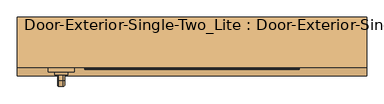
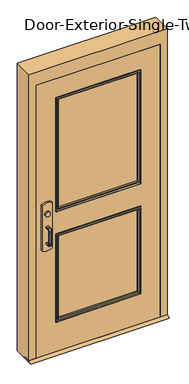
"""IFC4 building model written with IfcOpenShell, lengths in millimetres: door geometry, Door-Exterior-Single-Two_Lite : Door-Exterior-Single-Two_Lite."""

from ifc_helpers import new_model, si_unit, point, frame, frame_2d, origin, place, context, project, spatial, polyline, circle_curve, ellipse_curve, trimmed, segment, composite_curve, outline, extrude, faceted_brep, source, transform, mapped, element, save
from ifc_brep_helpers import plane_surface, cylinder_surface, revolved_surface, advanced_brep


def door_exterior_single_two_lite_door_exterior_single_two_lite_36b0e7e4(model_context):
    return source(origin(), model_context, "Body", "SolidModel", [
        extrude(outline(polyline([(-19.05, 12.7), (6.35, 0.0), (-88.9, 0.0), (-63.5, 12.7), (-19.05, 12.7)])), frame((-508.0, 0.0, 0.0), z_axis=(1.0, 0.0, 0.0), x_axis=(0.0, 1.0, 0.0)), (0.0, 0.0, 1.0), 1016.0),
        extrude(outline(polyline([(150.2833333, 19.05), (150.2833333, 12.7), (-349.25, 12.7), (-349.25, 19.05), (150.2833333, 19.05)])), frame((0.0, 0.0, 990.6), z_axis=(0.0, 0.0, 1.0), x_axis=(1.0, 0.0, 0.0)), (0.0, 0.0, 1.0), 50.8),
        advanced_brep(
        [(-412.75, 12.7, 1041.4), (-349.25, 12.7, 1041.4), (400.05, 12.7, 1041.4), (400.05, 12.7, 990.6), (-349.25, 12.7, 990.6), (-412.75, 12.7, 990.6), (400.05, -19.05, 1041.4), (-349.25, -19.05, 1041.4), (-349.25, -19.05, 1104.9), (-368.3, -19.05, 1123.95), (-393.7, -19.05, 1123.95), (-412.75, -19.05, 1104.9), (-412.75, -19.05, 927.1), (-393.7, -19.05, 908.05), (-368.3, -19.05, 908.05), (-349.25, -19.05, 927.1), (-349.25, -19.05, 990.6), (400.05, -19.05, 990.6), (-412.75, 9.5247533, 1041.4), (-349.25, 9.5247533, 1041.4), (-412.75, 9.5247533, 990.6), (-412.75, 4.5145731, 927.1), (-412.75, 4.5145731, 1104.9), (-349.25, 9.5247533, 990.6), (-349.25, 4.5145731, 1104.9), (-349.25, 4.5145731, 927.1), (-368.3, 3.011519, 1123.95), (-393.7, 3.011519, 1123.95), (-393.7, 3.011519, 908.05), (-368.3, 3.011519, 908.05)],
        [
            (0, 1),
            (1, 2),
            (2, 3),
            (3, 4),
            (4, 5),
            (5, 0),
            (6, 7),
            (7, 8),
            (8, 9, circle_curve(frame((-368.3, -19.05, 1104.9), z_axis=(0.0, -1.0, 0.0), x_axis=(1.0, 0.0, 0.0)), 19.05)),
            (9, 10),
            (10, 11, circle_curve(frame((-393.7, -19.05, 1104.9), z_axis=(0.0, -1.0, 0.0), x_axis=(1.0, 0.0, 0.0)), 19.05)),
            (11, 12),
            (12, 13, circle_curve(frame((-393.7, -19.05, 927.1), z_axis=(0.0, -1.0, 0.0), x_axis=(1.0, 0.0, 0.0)), 19.05)),
            (13, 14),
            (14, 15, circle_curve(frame((-368.3, -19.05, 927.1), z_axis=(0.0, -1.0, 0.0), x_axis=(1.0, 0.0, 0.0)), 19.05)),
            (15, 16),
            (16, 17),
            (17, 6),
            (0, 18),
            (18, 19),
            (19, 7),
            (6, 2),
            (5, 20),
            (20, 21),
            (21, 12),
            (11, 22),
            (22, 18),
            (16, 23),
            (23, 20),
            (3, 17),
            (19, 24),
            (24, 8),
            (15, 25),
            (25, 23),
            (9, 26),
            (26, 27),
            (27, 10),
            (13, 28),
            (28, 29),
            (29, 14),
            (29, 25, ellipse_curve(frame((-368.3, 4.5145731, 927.1), z_axis=(0.0, -0.9969018152893365, 0.07865602756830282), x_axis=(0.0, 0.07865602756830208, 0.9969018152893365)), 19.1092038, 19.05)),
            (24, 26, ellipse_curve(frame((-368.3, 4.5145731, 1104.9), z_axis=(0.0, -0.9969018152893376, -0.07865602756828934), x_axis=(0.0, 0.078656027568288, -0.9969018152893377)), 19.1092038, 19.05)),
            (27, 22, ellipse_curve(frame((-393.7, 4.5145731, 1104.9), z_axis=(0.0, -0.9969018152893376, -0.07865602756828934), x_axis=(0.0, 0.078656027568288, -0.9969018152893377)), 19.1092038, 19.05)),
            (21, 28, ellipse_curve(frame((-393.7, 4.5145731, 927.1), z_axis=(0.0, -0.9969018152893365, 0.07865602756830282), x_axis=(0.0, 0.07865602756830208, 0.9969018152893365)), 19.1092038, 19.05)),
        ],
        [
            plane_surface(frame((-412.75, 12.7, 1041.4), z_axis=(0.0, 1.0, 0.0), x_axis=(-1.0, 0.0, 0.0))),
            plane_surface(frame((-412.75, -19.05, 1041.4), z_axis=(0.0, -1.0, 0.0), x_axis=(1.0, 0.0, 0.0))),
            plane_surface(frame((400.05, 12.7, 1041.4), z_axis=(0.0, 0.0, 1.0), x_axis=(0.0, -1.0, 0.0))),
            plane_surface(frame((-412.75, 12.7, 1041.4), z_axis=(-1.0, 0.0, 0.0), x_axis=(0.0, -1.0, 0.0))),
            plane_surface(frame((-412.75, 12.7, 990.6), z_axis=(0.0, 0.0, -1.0), x_axis=(0.0, -1.0, 0.0))),
            plane_surface(frame((400.05, 12.7, 990.6), z_axis=(1.0, 0.0, 0.0), x_axis=(0.0, -1.0, 0.0))),
            plane_surface(frame((-349.25, 9.5247533, 927.1), z_axis=(1.0, 0.0, 0.0), x_axis=(0.0, -1.0, 0.0))),
            plane_surface(frame((-368.3, 9.5247533, 1123.95), z_axis=(0.0, 0.0, 1.0), x_axis=(0.0, -1.0, 0.0))),
            plane_surface(frame((-393.7, 9.5247533, 908.05), z_axis=(0.0, 0.0, -1.0), x_axis=(0.0, -1.0, 0.0))),
            cylinder_surface(frame((-368.3, -19.05, 927.1), z_axis=(0.0, 1.0, 0.0), x_axis=(1.0, 0.0, 0.0)), 19.05),
            cylinder_surface(frame((-368.3, -19.05, 1104.9), z_axis=(0.0, 1.0, 0.0), x_axis=(1.0, 0.0, 0.0)), 19.05),
            cylinder_surface(frame((-393.7, -19.05, 1104.9), z_axis=(0.0, 1.0, 0.0), x_axis=(1.0, 0.0, 0.0)), 19.05),
            cylinder_surface(frame((-393.7, -19.05, 927.1), z_axis=(0.0, 1.0, 0.0), x_axis=(1.0, 0.0, 0.0)), 19.05),
            plane_surface(frame((-349.25, 9.5247533, 1041.4), z_axis=(0.0, 0.9969018152893376, 0.07865602756828934), x_axis=(-1.0, 0.0, 0.0))),
            plane_surface(frame((-349.25, 3.011519, 908.05), z_axis=(0.0, 0.9969018152893365, -0.07865602756830282), x_axis=(-1.0, 0.0, 0.0))),
        ],
        [
            (0, [[1, 2, 3, 4, 5, 6]]),
            (1, [[7, 8, 9, 10, 11, 12, 13, 14, 15, 16, 17, 18]]),
            (2, [[-2, -1, 19, 20, 21, -7, 22]]),
            (3, [[23, 24, 25, -12, 26, 27, -19, -6]]),
            (4, [[-17, 28, 29, -23, -5, -4, 30]]),
            (5, [[-22, -18, -30, -3]]),
            (6, [[-21, 31, 32, -8]]),
            (6, [[33, 34, -28, -16]]),
            (7, [[35, 36, 37, -10]]),
            (8, [[38, 39, 40, -14]]),
            (9, [[-40, 41, -33, -15]]),
            (10, [[-32, 42, -35, -9]]),
            (11, [[-37, 43, -26, -11]]),
            (12, [[-25, 44, -38, -13]]),
            (13, [[-27, -43, -36, -42, -31, -20]]),
            (14, [[-29, -34, -41, -39, -44, -24]]),
        ],
    ),
        advanced_brep(
        [(-391.0, -76.2, 1017.190625), (-387.428125, -76.2, 1020.7625), (-374.571875, -76.2, 1020.7625), (-371.0, -76.2, 1017.190625), (-371.0, -76.2, 1014.8090406), (-374.5715406, -76.2, 1011.2375), (-387.428125, -76.2, 1011.2375), (-391.0, -76.2, 1014.809375), (-391.0, -76.2, 887.809375), (-391.0, -76.2, 890.190625), (-387.428125, -76.2, 893.7625), (-374.5715406, -76.2, 893.7625), (-371.0, -76.2, 890.1909594), (-371.0, -76.2, 887.809375), (-374.571875, -76.2, 884.2375), (-387.428125, -76.2, 884.2375), (-391.0, -101.6, 1014.809375), (-391.0, -113.109375, 1003.3), (-391.0, -113.109375, 901.7), (-391.0, -101.6, 890.190625), (-391.0, -101.6, 887.809375), (-391.0, -115.490625, 901.7), (-391.0, -115.490625, 1003.3), (-391.0, -101.6, 1017.190625), (-387.428125, -101.6, 1011.2375), (-374.5715406, -101.6, 1011.2375), (-371.0, -101.6, 1014.8090406), (-371.0, -101.6, 1017.190625), (-371.0, -115.490625, 1003.3), (-371.0, -115.490625, 901.7), (-371.0, -101.6, 887.809375), (-371.0, -101.6, 890.1909594), (-371.0, -113.1090406, 901.7), (-371.0, -113.1090406, 1003.3), (-374.571875, -101.6, 1020.7625), (-387.428125, -101.6, 1020.7625), (-387.428125, -109.5375, 1003.3), (-374.5715406, -109.5375, 1003.3), (-374.571875, -119.0625, 1003.3), (-387.428125, -119.0625, 1003.3), (-387.428125, -109.5375, 901.7), (-374.5715406, -109.5375, 901.7), (-374.571875, -119.0625, 901.7), (-387.428125, -119.0625, 901.7), (-387.428125, -101.6, 893.7625), (-374.5715406, -101.6, 893.7625), (-374.571875, -101.6, 884.2375), (-387.428125, -101.6, 884.2375)],
        [
            (0, 1, circle_curve(frame((-387.428125, -76.2, 1017.190625), z_axis=(0.0, 1.0, 0.0), x_axis=(0.0, 0.0, 1.0)), 3.571875)),
            (1, 2),
            (2, 3, circle_curve(frame((-374.571875, -76.2, 1017.190625), z_axis=(0.0, 1.0, 0.0), x_axis=(0.0, 0.0, 1.0)), 3.571875)),
            (3, 4),
            (4, 5, circle_curve(frame((-374.5715406, -76.2, 1014.8090406), z_axis=(0.0, 1.0, 0.0), x_axis=(0.0, 0.0, 1.0)), 3.5715406)),
            (5, 6),
            (6, 7, circle_curve(frame((-387.428125, -76.2, 1014.809375), z_axis=(0.0, 1.0, 0.0), x_axis=(0.0, 0.0, 1.0)), 3.571875)),
            (7, 0),
            (8, 9),
            (9, 10, circle_curve(frame((-387.428125, -76.2, 890.190625), z_axis=(0.0, 1.0, 0.0), x_axis=(0.0, 0.0, -1.0)), 3.571875)),
            (10, 11),
            (11, 12, circle_curve(frame((-374.5715406, -76.2, 890.1909594), z_axis=(0.0, 1.0, 0.0), x_axis=(0.0, 0.0, -1.0)), 3.5715406)),
            (12, 13),
            (13, 14, circle_curve(frame((-374.571875, -76.2, 887.809375), z_axis=(0.0, 1.0, 0.0), x_axis=(0.0, 0.0, -1.0)), 3.571875)),
            (14, 15),
            (15, 8, circle_curve(frame((-387.428125, -76.2, 887.809375), z_axis=(0.0, 1.0, 0.0), x_axis=(0.0, 0.0, -1.0)), 3.571875)),
            (7, 16),
            (16, 17, circle_curve(frame((-391.0, -101.6, 1003.3), z_axis=(1.0, 0.0, 0.0), x_axis=(0.0, 0.0, 1.0)), 11.509375)),
            (17, 18),
            (18, 19, circle_curve(frame((-391.0, -101.6, 901.7), z_axis=(1.0, 0.0, 0.0), x_axis=(0.0, -1.0, 0.0)), 11.509375)),
            (19, 9),
            (8, 20),
            (20, 21, circle_curve(frame((-391.0, -101.6, 901.7), z_axis=(-1.0, 0.0, 0.0), x_axis=(0.0, -1.0, 0.0)), 13.890625)),
            (21, 22),
            (22, 23, circle_curve(frame((-391.0, -101.6, 1003.3), z_axis=(-1.0, 0.0, 0.0), x_axis=(0.0, 0.0, 1.0)), 13.890625)),
            (23, 0),
            (6, 24),
            (24, 16, circle_curve(frame((-387.428125, -101.6, 1014.809375), z_axis=(0.0, 1.0, 0.0), x_axis=(0.0, 0.0, 1.0)), 3.571875)),
            (5, 25),
            (25, 24),
            (4, 26),
            (26, 25, circle_curve(frame((-374.5715406, -101.6, 1014.8090406), z_axis=(0.0, 1.0, 0.0), x_axis=(0.0, 0.0, 1.0)), 3.5715406)),
            (3, 27),
            (27, 28, circle_curve(frame((-371.0, -101.6, 1003.3), z_axis=(1.0, 0.0, 0.0), x_axis=(0.0, 0.0, 1.0)), 13.890625)),
            (28, 29),
            (29, 30, circle_curve(frame((-371.0, -101.6, 901.7), z_axis=(1.0, 0.0, 0.0), x_axis=(0.0, -1.0, 0.0)), 13.890625)),
            (30, 13),
            (12, 31),
            (31, 32, circle_curve(frame((-371.0, -101.6, 901.7), z_axis=(-1.0, 0.0, 0.0), x_axis=(0.0, -1.0, 0.0)), 11.5090406)),
            (32, 33),
            (33, 26, circle_curve(frame((-371.0, -101.6, 1003.3), z_axis=(-1.0, 0.0, 0.0), x_axis=(0.0, 0.0, 1.0)), 11.5090406)),
            (2, 34),
            (34, 27, circle_curve(frame((-374.571875, -101.6, 1017.190625), z_axis=(0.0, 1.0, 0.0), x_axis=(0.0, 0.0, 1.0)), 3.571875)),
            (1, 35),
            (35, 34),
            (23, 35, circle_curve(frame((-387.428125, -101.6, 1017.190625), z_axis=(0.0, 1.0, 0.0), x_axis=(0.0, 0.0, 1.0)), 3.571875)),
            (36, 17, circle_curve(frame((-387.428125, -113.109375, 1003.3), z_axis=(0.0, 0.0, 1.0), x_axis=(0.0, -1.0, 0.0)), 3.571875)),
            (24, 36, circle_curve(frame((-387.428125, -101.6, 1003.3), z_axis=(1.0, 0.0, 0.0), x_axis=(0.0, 0.0, 1.0)), 7.9375)),
            (37, 36),
            (25, 37, circle_curve(frame((-374.5715406, -101.6, 1003.3), z_axis=(1.0, 0.0, 0.0), x_axis=(0.0, 0.0, 1.0)), 7.9375)),
            (33, 37, circle_curve(frame((-374.5715406, -113.1090406, 1003.3), z_axis=(0.0, 0.0, 1.0), x_axis=(0.0, -1.0, 0.0)), 3.5715406)),
            (38, 28, circle_curve(frame((-374.571875, -115.490625, 1003.3), z_axis=(0.0, 0.0, 1.0), x_axis=(0.0, -1.0, 0.0)), 3.571875)),
            (34, 38, circle_curve(frame((-374.571875, -101.6, 1003.3), z_axis=(1.0, 0.0, 0.0), x_axis=(0.0, 0.0, 1.0)), 17.4625)),
            (39, 38),
            (35, 39, circle_curve(frame((-387.428125, -101.6, 1003.3), z_axis=(1.0, 0.0, 0.0), x_axis=(0.0, 0.0, 1.0)), 17.4625)),
            (22, 39, circle_curve(frame((-387.428125, -115.490625, 1003.3), z_axis=(0.0, 0.0, 1.0), x_axis=(0.0, -1.0, 0.0)), 3.571875)),
            (36, 40),
            (40, 18, circle_curve(frame((-387.428125, -113.109375, 901.7), z_axis=(0.0, 0.0, 1.0), x_axis=(0.0, -1.0, 0.0)), 3.571875)),
            (37, 41),
            (41, 40),
            (32, 41, circle_curve(frame((-374.5715406, -113.1090406, 901.7), z_axis=(0.0, 0.0, 1.0), x_axis=(0.0, -1.0, 0.0)), 3.5715406)),
            (38, 42),
            (42, 29, circle_curve(frame((-374.571875, -115.490625, 901.7), z_axis=(0.0, 0.0, 1.0), x_axis=(0.0, -1.0, 0.0)), 3.571875)),
            (39, 43),
            (43, 42),
            (21, 43, circle_curve(frame((-387.428125, -115.490625, 901.7), z_axis=(0.0, 0.0, 1.0), x_axis=(0.0, -1.0, 0.0)), 3.571875)),
            (44, 19, circle_curve(frame((-387.428125, -101.6, 890.190625), z_axis=(0.0, -1.0, 0.0), x_axis=(0.0, 0.0, -1.0)), 3.571875)),
            (40, 44, circle_curve(frame((-387.428125, -101.6, 901.7), z_axis=(1.0, 0.0, 0.0), x_axis=(0.0, -1.0, 0.0)), 7.9375)),
            (45, 44),
            (41, 45, circle_curve(frame((-374.5715406, -101.6, 901.7), z_axis=(1.0, 0.0, 0.0), x_axis=(0.0, -1.0, 0.0)), 7.9375)),
            (31, 45, circle_curve(frame((-374.5715406, -101.6, 890.1909594), z_axis=(0.0, -1.0, 0.0), x_axis=(0.0, 0.0, -1.0)), 3.5715406)),
            (46, 30, circle_curve(frame((-374.571875, -101.6, 887.809375), z_axis=(0.0, -1.0, 0.0), x_axis=(0.0, 0.0, -1.0)), 3.571875)),
            (42, 46, circle_curve(frame((-374.571875, -101.6, 901.7), z_axis=(1.0, 0.0, 0.0), x_axis=(0.0, -1.0, 0.0)), 17.4625)),
            (47, 46),
            (43, 47, circle_curve(frame((-387.428125, -101.6, 901.7), z_axis=(1.0, 0.0, 0.0), x_axis=(0.0, -1.0, 0.0)), 17.4625)),
            (20, 47, circle_curve(frame((-387.428125, -101.6, 887.809375), z_axis=(0.0, -1.0, 0.0), x_axis=(0.0, 0.0, -1.0)), 3.571875)),
            (44, 10),
            (45, 11),
            (46, 14),
            (47, 15),
        ],
        [
            plane_surface(frame((-381.0, -76.2, 1016.0), z_axis=(0.0, 1.0, 0.0), x_axis=(1.0, 0.0, 0.0))),
            plane_surface(frame((-381.0, -76.2, 889.0), z_axis=(0.0, 1.0, 0.0), x_axis=(1.0, 0.0, 0.0))),
            plane_surface(frame((-391.0, -76.2, 1017.190625), z_axis=(-1.0, 0.0, 0.0), x_axis=(0.0, -1.0, 0.0))),
            cylinder_surface(frame((-387.428125, -76.2, 1014.809375), z_axis=(0.0, 1.0, 0.0), x_axis=(0.0, 0.0, 1.0)), 3.571875),
            plane_surface(frame((-387.428125, -76.2, 1011.2375), z_axis=(0.0, 0.0, -1.0), x_axis=(0.0, -1.0, 0.0))),
            cylinder_surface(frame((-374.5715406, -76.2, 1014.8090406), z_axis=(0.0, 1.0, 0.0), x_axis=(0.0, 0.0, 1.0)), 3.5715406),
            plane_surface(frame((-371.0, -76.2, 1014.8090406), z_axis=(1.0, 0.0, 0.0), x_axis=(0.0, -1.0, 0.0))),
            cylinder_surface(frame((-374.571875, -76.2, 1017.190625), z_axis=(0.0, 1.0, 0.0), x_axis=(0.0, 0.0, 1.0)), 3.571875),
            plane_surface(frame((-374.571875, -76.2, 1020.7625), z_axis=(0.0, 0.0, 1.0), x_axis=(0.0, -1.0, 0.0))),
            cylinder_surface(frame((-387.428125, -76.2, 1017.190625), z_axis=(0.0, 1.0, 0.0), x_axis=(0.0, 0.0, 1.0)), 3.571875),
            revolved_surface(trimmed(ellipse_curve(frame((-387.428125, -101.6, 1014.809375), z_axis=(0.0, -1.0, 0.0), x_axis=(0.0, 0.0, 1.0)), 3.571875, 3.571875), [point((-391.0, -101.6, 1014.809375))], [point((-387.428125, -101.6, 1011.2375))], True, "CARTESIAN"), (-381.0, -101.6, 1003.3), (-1.0, 0.0, 0.0)),
            revolved_surface(polyline([(-387.428125, -101.6, 1011.2375), (-374.5715406, -101.6, 1011.2375)]), (-381.0, -101.6, 1003.3), (-1.0, 0.0, 0.0)),
            revolved_surface(trimmed(ellipse_curve(frame((-374.5715406, -101.6, 1014.8090406), z_axis=(0.0, -1.0, 0.0), x_axis=(0.0, 0.0, 1.0)), 3.5715406, 3.5715406), [point((-374.5715406, -101.6, 1011.2375))], [point((-371.0, -101.6, 1014.8090406))], True, "CARTESIAN"), (-381.0, -101.6, 1003.3), (-1.0, 0.0, 0.0)),
            revolved_surface(trimmed(ellipse_curve(frame((-374.571875, -101.6, 1017.190625), z_axis=(0.0, -1.0, 0.0), x_axis=(0.0, 0.0, 1.0)), 3.571875, 3.571875), [point((-371.0, -101.6, 1017.190625))], [point((-374.571875, -101.6, 1020.7625))], True, "CARTESIAN"), (-381.0, -101.6, 1003.3), (-1.0, 0.0, 0.0)),
            cylinder_surface(frame((-381.0, -101.6, 1003.3), z_axis=(-1.0, 0.0, 0.0), x_axis=(0.0, 0.0, 1.0)), 17.4625),
            revolved_surface(trimmed(ellipse_curve(frame((-387.428125, -101.6, 1017.190625), z_axis=(0.0, -1.0, 0.0), x_axis=(0.0, 0.0, 1.0)), 3.571875, 3.571875), [point((-387.428125, -101.6, 1020.7625))], [point((-391.0, -101.6, 1017.190625))], True, "CARTESIAN"), (-381.0, -101.6, 1003.3), (-1.0, 0.0, 0.0)),
            cylinder_surface(frame((-387.428125, -113.109375, 1003.3), z_axis=(0.0, 0.0, 1.0), x_axis=(0.0, -1.0, 0.0)), 3.571875),
            plane_surface(frame((-387.428125, -109.5375, 1003.3), z_axis=(0.0, 1.0, 0.0), x_axis=(0.0, 0.0, -1.0))),
            cylinder_surface(frame((-374.5715406, -113.1090406, 1003.3), z_axis=(0.0, 0.0, 1.0), x_axis=(0.0, -1.0, 0.0)), 3.5715406),
            cylinder_surface(frame((-374.571875, -115.490625, 1003.3), z_axis=(0.0, 0.0, 1.0), x_axis=(0.0, -1.0, 0.0)), 3.571875),
            plane_surface(frame((-374.571875, -119.0625, 1003.3), z_axis=(0.0, -1.0, 0.0), x_axis=(0.0, 0.0, -1.0))),
            cylinder_surface(frame((-387.428125, -115.490625, 1003.3), z_axis=(0.0, 0.0, 1.0), x_axis=(0.0, -1.0, 0.0)), 3.571875),
            revolved_surface(trimmed(ellipse_curve(frame((-387.428125, -113.109375, 901.7), z_axis=(0.0, 0.0, -1.0), x_axis=(0.0, -1.0, 0.0)), 3.571875, 3.571875), [point((-391.0, -113.109375, 901.7))], [point((-387.428125, -109.5375, 901.7))], True, "CARTESIAN"), (-381.0, -101.6, 901.7), (-1.0, 0.0, 0.0)),
            revolved_surface(polyline([(-387.428125, -109.5375, 901.7), (-374.5715406, -109.5375, 901.7)]), (-381.0, -101.6, 901.7), (-1.0, 0.0, 0.0)),
            revolved_surface(trimmed(ellipse_curve(frame((-374.5715406, -113.1090406, 901.7), z_axis=(0.0, 0.0, -1.0), x_axis=(0.0, -1.0, 0.0)), 3.5715406, 3.5715406), [point((-374.5715406, -109.5375, 901.7))], [point((-371.0, -113.1090406, 901.7))], True, "CARTESIAN"), (-381.0, -101.6, 901.7), (-1.0, 0.0, 0.0)),
            revolved_surface(trimmed(ellipse_curve(frame((-374.571875, -115.490625, 901.7), z_axis=(0.0, 0.0, -1.0), x_axis=(0.0, -1.0, 0.0)), 3.571875, 3.571875), [point((-371.0, -115.490625, 901.7))], [point((-374.571875, -119.0625, 901.7))], True, "CARTESIAN"), (-381.0, -101.6, 901.7), (-1.0, 0.0, 0.0)),
            cylinder_surface(frame((-381.0, -101.6, 901.7), z_axis=(-1.0, 0.0, 0.0), x_axis=(0.0, -1.0, 0.0)), 17.4625),
            revolved_surface(trimmed(ellipse_curve(frame((-387.428125, -115.490625, 901.7), z_axis=(0.0, 0.0, -1.0), x_axis=(0.0, -1.0, 0.0)), 3.571875, 3.571875), [point((-387.428125, -119.0625, 901.7))], [point((-391.0, -115.490625, 901.7))], True, "CARTESIAN"), (-381.0, -101.6, 901.7), (-1.0, 0.0, 0.0)),
            cylinder_surface(frame((-387.428125, -101.6, 890.190625), z_axis=(0.0, -1.0, 0.0), x_axis=(0.0, 0.0, -1.0)), 3.571875),
            plane_surface(frame((-387.428125, -101.6, 893.7625), z_axis=(0.0, 0.0, 1.0), x_axis=(0.0, 1.0, 0.0))),
            cylinder_surface(frame((-374.5715406, -101.6, 890.1909594), z_axis=(0.0, -1.0, 0.0), x_axis=(0.0, 0.0, -1.0)), 3.5715406),
            cylinder_surface(frame((-374.571875, -101.6, 887.809375), z_axis=(0.0, -1.0, 0.0), x_axis=(0.0, 0.0, -1.0)), 3.571875),
            plane_surface(frame((-374.571875, -101.6, 884.2375), z_axis=(0.0, 0.0, -1.0), x_axis=(0.0, 1.0, 0.0))),
            cylinder_surface(frame((-387.428125, -101.6, 887.809375), z_axis=(0.0, -1.0, 0.0), x_axis=(0.0, 0.0, -1.0)), 3.571875),
        ],
        [
            (0, [[1, 2, 3, 4, 5, 6, 7, 8]]),
            (1, [[9, 10, 11, 12, 13, 14, 15, 16]]),
            (2, [[17, 18, 19, 20, 21, -9, 22, 23, 24, 25, 26, -8]]),
            (3, [[27, 28, -17, -7]]),
            (4, [[29, 30, -27, -6]]),
            (5, [[31, 32, -29, -5]]),
            (6, [[33, 34, 35, 36, 37, -13, 38, 39, 40, 41, -31, -4]]),
            (7, [[42, 43, -33, -3]]),
            (8, [[44, 45, -42, -2]]),
            (9, [[-26, 46, -44, -1]]),
            (10, [[47, -18, -28, 48]]),
            (11, [[49, -48, -30, 50]]),
            (12, [[51, -50, -32, -41]]),
            (13, [[52, -34, -43, 53]]),
            (14, [[54, -53, -45, 55]]),
            (15, [[56, -55, -46, -25]]),
            (16, [[57, 58, -19, -47]]),
            (17, [[59, 60, -57, -49]]),
            (18, [[-40, 61, -59, -51]]),
            (19, [[62, 63, -35, -52]]),
            (20, [[64, 65, -62, -54]]),
            (21, [[-24, 66, -64, -56]]),
            (22, [[67, -20, -58, 68]]),
            (23, [[69, -68, -60, 70]]),
            (24, [[71, -70, -61, -39]]),
            (25, [[72, -36, -63, 73]]),
            (26, [[74, -73, -65, 75]]),
            (27, [[76, -75, -66, -23]]),
            (28, [[77, -10, -21, -67]]),
            (29, [[78, -11, -77, -69]]),
            (30, [[-38, -12, -78, -71]]),
            (31, [[79, -14, -37, -72]]),
            (32, [[80, -15, -79, -74]]),
            (33, [[-22, -16, -80, -76]]),
        ],
    ),
        extrude(outline(composite_curve([segment(trimmed(circle_curve(frame_2d((1117.6, -381.0)), 19.0), [point((1117.6, -400.0))], [point((1117.6, -362.0))], False, "CARTESIAN"), True, "CONTINUOUS"), segment(trimmed(circle_curve(frame_2d((1117.6, -381.0)), 19.0), [point((1117.6, -362.0))], [point((1117.6, -400.0))], False, "CARTESIAN"), True, "CONTINUOUS")], self_intersect=False)), frame((0.0, -84.93125, 0.0), z_axis=(0.0, 1.0, 0.0), x_axis=(0.0, 0.0, 1.0)), (0.0, 0.0, 1.0), 8.73125),
        extrude(outline(composite_curve([segment(trimmed(circle_curve(frame_2d((1113.0338574, -381.0)), 89.3016225), [point((1193.8, -342.9))], [point((1193.8, -419.1))], False, "CARTESIAN"), True, "CONTINUOUS"), segment(polyline([(1193.8, -419.1), (838.2, -419.1)]), True, "CONTINUOUS"), segment(trimmed(circle_curve(frame_2d((918.9661426, -381.0)), 89.3016225), [point((838.2, -419.1))], [point((838.2, -342.9))], False, "CARTESIAN"), True, "CONTINUOUS"), segment(polyline([(838.2, -342.9), (1193.8, -342.9)]), True, "CONTINUOUS")], self_intersect=False)), frame((0.0, -76.2, 0.0), z_axis=(0.0, 1.0, 0.0), x_axis=(0.0, 0.0, 1.0)), (0.0, 0.0, 1.0), 12.7),
        faceted_brep([(457.2, -14.2875, 0.0), (441.325, -14.2875, 0.0), (441.325, 33.3375, 0.0), (457.2, 33.3375, 0.0), (457.2, 82.55, 0.0), (508.0, 82.55, 0.0), (508.0, -63.5, 0.0), (457.2, -63.5, 0.0), (457.2, -63.5, 2133.6), (457.2, -14.2875, 2133.6), (508.0, -63.5, 2235.2), (-508.0, -63.5, 2235.2), (-508.0, -63.5, 0.0), (-457.2, -63.5, 0.0), (-457.2, -63.5, 2133.6), (508.0, 82.55, 2235.2), (457.2, 82.55, 2133.6), (-457.2, 82.55, 2133.6), (-457.2, 82.55, 0.0), (-508.0, 82.55, 0.0), (-508.0, 82.55, 2235.2), (457.2, 33.3375, 2133.6), (441.325, 33.3375, 2117.725), (-441.325, 33.3375, 2117.725), (-441.325, 33.3375, 0.0), (-457.2, 33.3375, 0.0), (-457.2, 33.3375, 2133.6), (441.325, -14.2875, 2117.725), (-457.2, -14.2875, 2133.6), (-457.2, -14.2875, 0.0), (-441.325, -14.2875, 0.0), (-441.325, -14.2875, 2117.725)], [[[0, 1, 2, 3, 4, 5, 6, 7]], [[7, 8, 9, 0]], [[6, 10, 11, 12, 13, 14, 8, 7]], [[5, 15, 10, 6]], [[4, 16, 17, 18, 19, 20, 15, 5]], [[3, 21, 16, 4]], [[2, 22, 23, 24, 25, 26, 21, 3]], [[1, 27, 22, 2]], [[0, 9, 28, 29, 30, 31, 27, 1]], [[8, 14, 28, 9]], [[16, 21, 26, 17]], [[22, 27, 31, 23]], [[12, 19, 18, 25, 24, 30, 29, 13]], [[13, 29, 28, 14]], [[11, 20, 19, 12]], [[17, 26, 25, 18]], [[23, 31, 30, 24]], [[15, 20, 11, 10]]]),
        extrude(outline(polyline([(2133.6, -457.2), (12.7, -457.2), (12.7, 457.2), (2133.6, 457.2), (2133.6, -457.2)]), holes=[polyline([(1981.2, -304.8), (1981.2, 304.8), (1111.25, 304.8), (1111.25, -304.8), (1981.2, -304.8)]), polyline([(920.75, -304.8), (920.75, 304.8), (254.0, 304.8), (254.0, -304.8), (920.75, -304.8)])]), frame((0.0, -63.5, 0.0), z_axis=(0.0, 1.0, 0.0), x_axis=(0.0, 0.0, 1.0)), (0.0, 0.0, 1.0), 44.45),
        extrude(outline(polyline([(304.8, -31.75), (304.8, -50.8), (-304.8, -50.8), (-304.8, -31.75), (304.8, -31.75)])), frame((0.0, 0.0, 1111.25), z_axis=(0.0, 0.0, 1.0), x_axis=(1.0, 0.0, 0.0)), (0.0, 0.0, 1.0), 869.95),
        extrude(outline(polyline([(304.8, -31.75), (304.8, -50.8), (-304.8, -50.8), (-304.8, -31.75), (304.8, -31.75)])), frame((0.0, 0.0, 254.0), z_axis=(0.0, 0.0, 1.0), x_axis=(1.0, 0.0, 0.0)), (0.0, 0.0, 1.0), 666.75),
        advanced_brep(
        [(304.8, -31.75, 920.75), (304.8, -31.75, 254.0), (304.8, -19.05, 254.0), (304.8, -19.05, 920.75), (292.8, -18.05, 908.75), (292.8, -18.05, 266.0), (292.8, -31.75, 266.0), (292.8, -31.75, 908.75), (297.8, -13.05, 913.75), (297.8, -13.05, 261.0), (312.8, -15.05, 928.75), (312.8, -15.05, 246.0), (310.8, -13.05, 248.0), (310.8, -13.05, 926.75), (312.8, -19.05, 928.75), (312.8, -19.05, 246.0), (-304.8, -31.75, 254.0), (-304.8, -19.05, 254.0), (-292.8, -18.05, 266.0), (-292.8, -31.75, 266.0), (-297.8, -13.05, 261.0), (-312.8, -15.05, 246.0), (-310.8, -13.05, 248.0), (-312.8, -19.05, 246.0), (-304.8, -31.75, 920.75), (-304.8, -19.05, 920.75), (-292.8, -18.05, 908.75), (-292.8, -31.75, 908.75), (-297.8, -13.05, 913.75), (-312.8, -15.05, 928.75), (-310.8, -13.05, 926.75), (-312.8, -19.05, 928.75)],
        [
            (0, 1),
            (1, 2),
            (2, 3),
            (3, 0),
            (4, 5),
            (5, 6),
            (6, 7),
            (7, 4),
            (8, 9),
            (9, 5, ellipse_curve(frame((297.8, -18.05, 261.0), z_axis=(0.7071067811865475, 0.0, 0.7071067811865475), x_axis=(-0.7071067811865474, 0.0, 0.7071067811865476)), 7.0710678, 5.0)),
            (4, 8, ellipse_curve(frame((297.8, -18.05, 913.75), z_axis=(0.7071067811865475, 0.0, -0.7071067811865475), x_axis=(0.7071067811865474, 0.0, 0.7071067811865476)), 7.0710678, 5.0)),
            (10, 11),
            (11, 12, ellipse_curve(frame((310.8, -15.05, 248.0), z_axis=(0.7071067811865475, 0.0, 0.7071067811865475), x_axis=(-0.7071067811865474, 0.0, 0.7071067811865476)), 2.8284271, 2.0)),
            (12, 13),
            (13, 10, ellipse_curve(frame((310.8, -15.05, 926.75), z_axis=(0.7071067811865475, 0.0, -0.7071067811865475), x_axis=(0.7071067811865474, 0.0, 0.7071067811865476)), 2.8284271, 2.0)),
            (14, 15),
            (15, 11),
            (10, 14),
            (1, 16),
            (16, 17),
            (17, 2),
            (5, 18),
            (18, 19),
            (19, 6),
            (9, 20),
            (20, 18, ellipse_curve(frame((-297.8, -18.05, 261.0), z_axis=(0.7071067811865475, 0.0, -0.7071067811865475), x_axis=(0.7071067811865476, 0.0, 0.7071067811865474)), 7.0710678, 5.0)),
            (11, 21),
            (21, 22, ellipse_curve(frame((-310.8, -15.05, 248.0), z_axis=(0.7071067811865475, 0.0, -0.7071067811865475), x_axis=(0.7071067811865476, 0.0, 0.7071067811865474)), 2.8284271, 2.0)),
            (22, 12),
            (15, 23),
            (23, 21),
            (16, 24),
            (24, 25),
            (25, 17),
            (18, 26),
            (26, 27),
            (27, 19),
            (20, 28),
            (28, 26, ellipse_curve(frame((-297.8, -18.05, 913.75), z_axis=(-0.7071067811865475, 0.0, -0.7071067811865475), x_axis=(0.7071067811865474, 0.0, -0.7071067811865476)), 7.0710678, 5.0)),
            (21, 29),
            (29, 30, ellipse_curve(frame((-310.8, -15.05, 926.75), z_axis=(-0.7071067811865475, 0.0, -0.7071067811865475), x_axis=(0.7071067811865474, 0.0, -0.7071067811865476)), 2.8284271, 2.0)),
            (30, 22),
            (23, 31),
            (31, 29),
            (14, 31),
            (25, 3),
            (24, 0),
            (27, 7),
            (26, 4),
            (28, 8),
            (30, 13),
            (29, 10),
        ],
        [
            plane_surface(frame((304.8, -19.05, 920.75), z_axis=(1.0, 0.0, 0.0), x_axis=(0.0, 0.0, -1.0))),
            plane_surface(frame((292.8, -31.75, 908.75), z_axis=(-1.0, 0.0, 0.0), x_axis=(0.0, 0.0, -1.0))),
            cylinder_surface(frame((297.8, -18.05, 920.75), z_axis=(0.0, 0.0, 1.0), x_axis=(1.0, 0.0, 0.0)), 5.0),
            cylinder_surface(frame((310.8, -15.05, 920.75), z_axis=(0.0, 0.0, 1.0), x_axis=(1.0, 0.0, 0.0)), 2.0),
            plane_surface(frame((312.8, -15.05, 928.75), z_axis=(1.0, 0.0, 0.0), x_axis=(0.0, 0.0, -1.0))),
            plane_surface(frame((304.8, -19.05, 254.0), z_axis=(0.0, 0.0, -1.0), x_axis=(-1.0, 0.0, 0.0))),
            plane_surface(frame((292.8, -31.75, 266.0), z_axis=(0.0, 0.0, 1.0), x_axis=(-1.0, 0.0, 0.0))),
            cylinder_surface(frame((304.8, -18.05, 261.0), z_axis=(1.0, 0.0, 0.0), x_axis=(0.0, 0.0, -1.0)), 5.0),
            cylinder_surface(frame((304.8, -15.05, 248.0), z_axis=(1.0, 0.0, 0.0), x_axis=(0.0, 0.0, -1.0)), 2.0),
            plane_surface(frame((312.8, -15.05, 246.0), z_axis=(0.0, 0.0, -1.0), x_axis=(-1.0, 0.0, 0.0))),
            plane_surface(frame((-304.8, -19.05, 254.0), z_axis=(-1.0, 0.0, 0.0), x_axis=(0.0, 0.0, 1.0))),
            plane_surface(frame((-292.8, -31.75, 266.0), z_axis=(1.0, 0.0, 0.0), x_axis=(0.0, 0.0, 1.0))),
            cylinder_surface(frame((-297.8, -18.05, 254.0), z_axis=(0.0, 0.0, -1.0), x_axis=(-1.0, 0.0, 0.0)), 5.0),
            cylinder_surface(frame((-310.8, -15.05, 254.0), z_axis=(0.0, 0.0, -1.0), x_axis=(-1.0, 0.0, 0.0)), 2.0),
            plane_surface(frame((-312.8, -15.05, 246.0), z_axis=(-1.0, 0.0, 0.0), x_axis=(0.0, 0.0, 1.0))),
            plane_surface(frame((-312.8, -19.05, 928.75), z_axis=(0.0, -1.0, 0.0), x_axis=(1.0, 0.0, 0.0))),
            plane_surface(frame((-304.8, -19.05, 920.75), z_axis=(0.0, 0.0, 1.0), x_axis=(1.0, 0.0, 0.0))),
            plane_surface(frame((-304.8, -31.75, 920.75), z_axis=(0.0, -1.0, 0.0), x_axis=(1.0, 0.0, 0.0))),
            plane_surface(frame((-292.8, -31.75, 908.75), z_axis=(0.0, 0.0, -1.0), x_axis=(1.0, 0.0, 0.0))),
            cylinder_surface(frame((-304.8, -18.05, 913.75), z_axis=(-1.0, 0.0, 0.0), x_axis=(0.0, 0.0, 1.0)), 5.0),
            plane_surface(frame((-297.8, -13.05, 913.75), z_axis=(0.0, 1.0, 0.0), x_axis=(1.0, 0.0, 0.0))),
            cylinder_surface(frame((-304.8, -15.05, 926.75), z_axis=(-1.0, 0.0, 0.0), x_axis=(0.0, 0.0, 1.0)), 2.0),
            plane_surface(frame((-312.8, -15.05, 928.75), z_axis=(0.0, 0.0, 1.0), x_axis=(1.0, 0.0, 0.0))),
        ],
        [
            (0, [[1, 2, 3, 4]]),
            (1, [[5, 6, 7, 8]]),
            (2, [[9, 10, -5, 11]]),
            (3, [[12, 13, 14, 15]]),
            (4, [[16, 17, -12, 18]]),
            (5, [[19, 20, 21, -2]]),
            (6, [[22, 23, 24, -6]]),
            (7, [[25, 26, -22, -10]]),
            (8, [[27, 28, 29, -13]]),
            (9, [[30, 31, -27, -17]]),
            (10, [[32, 33, 34, -20]]),
            (11, [[35, 36, 37, -23]]),
            (12, [[38, 39, -35, -26]]),
            (13, [[40, 41, 42, -28]]),
            (14, [[43, 44, -40, -31]]),
            (15, [[-16, 45, -43, -30], [-3, -21, -34, 46]]),
            (16, [[47, -4, -46, -33]]),
            (17, [[-1, -47, -32, -19], [-7, -24, -37, 48]]),
            (18, [[49, -8, -48, -36]]),
            (19, [[50, -11, -49, -39]]),
            (20, [[-14, -29, -42, 51], [-9, -50, -38, -25]]),
            (21, [[52, -15, -51, -41]]),
            (22, [[-45, -18, -52, -44]]),
        ],
    ),
        advanced_brep(
        [(-304.8, -50.8, 920.75), (-304.8, -50.8, 254.0), (-304.8, -63.5, 254.0), (-304.8, -63.5, 920.75), (-292.8, -64.5, 908.75), (-292.8, -64.5, 266.0), (-292.8, -50.8, 266.0), (-292.8, -50.8, 908.75), (-297.8, -69.5, 913.75), (-297.8, -69.5, 261.0), (-312.8, -67.5, 928.75), (-312.8, -67.5, 246.0), (-310.8, -69.5, 248.0), (-310.8, -69.5, 926.75), (-312.8, -63.5, 928.75), (-312.8, -63.5, 246.0), (304.8, -50.8, 254.0), (304.8, -63.5, 254.0), (292.8, -64.5, 266.0), (292.8, -50.8, 266.0), (297.8, -69.5, 261.0), (312.8, -67.5, 246.0), (310.8, -69.5, 248.0), (312.8, -63.5, 246.0), (304.8, -50.8, 920.75), (304.8, -63.5, 920.75), (292.8, -64.5, 908.75), (292.8, -50.8, 908.75), (297.8, -69.5, 913.75), (312.8, -67.5, 928.75), (310.8, -69.5, 926.75), (312.8, -63.5, 928.75)],
        [
            (0, 1),
            (1, 2),
            (2, 3),
            (3, 0),
            (4, 5),
            (5, 6),
            (6, 7),
            (7, 4),
            (8, 9),
            (9, 5, ellipse_curve(frame((-297.8, -64.5, 261.0), z_axis=(-0.7071067811865475, 0.0, 0.7071067811865475), x_axis=(0.7071067811865474, 0.0, 0.7071067811865476)), 7.0710678, 5.0)),
            (4, 8, ellipse_curve(frame((-297.8, -64.5, 913.75), z_axis=(-0.7071067811865475, 0.0, -0.7071067811865475), x_axis=(-0.7071067811865474, 0.0, 0.7071067811865476)), 7.0710678, 5.0)),
            (10, 11),
            (11, 12, ellipse_curve(frame((-310.8, -67.5, 248.0), z_axis=(-0.7071067811865475, 0.0, 0.7071067811865475), x_axis=(0.7071067811865474, 0.0, 0.7071067811865476)), 2.8284271, 2.0)),
            (12, 13),
            (13, 10, ellipse_curve(frame((-310.8, -67.5, 926.75), z_axis=(-0.7071067811865475, 0.0, -0.7071067811865475), x_axis=(-0.7071067811865474, 0.0, 0.7071067811865476)), 2.8284271, 2.0)),
            (14, 15),
            (15, 11),
            (10, 14),
            (1, 16),
            (16, 17),
            (17, 2),
            (5, 18),
            (18, 19),
            (19, 6),
            (9, 20),
            (20, 18, ellipse_curve(frame((297.8, -64.5, 261.0), z_axis=(-0.7071067811865475, 0.0, -0.7071067811865475), x_axis=(-0.7071067811865476, 0.0, 0.7071067811865474)), 7.0710678, 5.0)),
            (11, 21),
            (21, 22, ellipse_curve(frame((310.8, -67.5, 248.0), z_axis=(-0.7071067811865475, 0.0, -0.7071067811865475), x_axis=(-0.7071067811865476, 0.0, 0.7071067811865474)), 2.8284271, 2.0)),
            (22, 12),
            (15, 23),
            (23, 21),
            (16, 24),
            (24, 25),
            (25, 17),
            (18, 26),
            (26, 27),
            (27, 19),
            (20, 28),
            (28, 26, ellipse_curve(frame((297.8, -64.5, 913.75), z_axis=(0.7071067811865475, 0.0, -0.7071067811865475), x_axis=(-0.7071067811865474, 0.0, -0.7071067811865476)), 7.0710678, 5.0)),
            (21, 29),
            (29, 30, ellipse_curve(frame((310.8, -67.5, 926.75), z_axis=(0.7071067811865475, 0.0, -0.7071067811865475), x_axis=(-0.7071067811865474, 0.0, -0.7071067811865476)), 2.8284271, 2.0)),
            (30, 22),
            (23, 31),
            (31, 29),
            (14, 31),
            (25, 3),
            (24, 0),
            (27, 7),
            (26, 4),
            (28, 8),
            (30, 13),
            (29, 10),
        ],
        [
            plane_surface(frame((-304.8, -63.5, 920.75), z_axis=(-1.0, 0.0, 0.0), x_axis=(0.0, 0.0, -1.0))),
            plane_surface(frame((-292.8, -50.8, 908.75), z_axis=(1.0, 0.0, 0.0), x_axis=(0.0, 0.0, -1.0))),
            cylinder_surface(frame((-297.8, -64.5, 920.75), z_axis=(0.0, 0.0, 1.0), x_axis=(-1.0, 0.0, 0.0)), 5.0),
            cylinder_surface(frame((-310.8, -67.5, 920.75), z_axis=(0.0, 0.0, 1.0), x_axis=(-1.0, 0.0, 0.0)), 2.0),
            plane_surface(frame((-312.8, -67.5, 928.75), z_axis=(-1.0, 0.0, 0.0), x_axis=(0.0, 0.0, -1.0))),
            plane_surface(frame((-304.8, -63.5, 254.0), z_axis=(0.0, 0.0, -1.0), x_axis=(1.0, 0.0, 0.0))),
            plane_surface(frame((-292.8, -50.8, 266.0), z_axis=(0.0, 0.0, 1.0), x_axis=(1.0, 0.0, 0.0))),
            cylinder_surface(frame((-304.8, -64.5, 261.0), z_axis=(-1.0, 0.0, 0.0), x_axis=(0.0, 0.0, -1.0)), 5.0),
            cylinder_surface(frame((-304.8, -67.5, 248.0), z_axis=(-1.0, 0.0, 0.0), x_axis=(0.0, 0.0, -1.0)), 2.0),
            plane_surface(frame((-312.8, -67.5, 246.0), z_axis=(0.0, 0.0, -1.0), x_axis=(1.0, 0.0, 0.0))),
            plane_surface(frame((304.8, -63.5, 254.0), z_axis=(1.0, 0.0, 0.0), x_axis=(0.0, 0.0, 1.0))),
            plane_surface(frame((292.8, -50.8, 266.0), z_axis=(-1.0, 0.0, 0.0), x_axis=(0.0, 0.0, 1.0))),
            cylinder_surface(frame((297.8, -64.5, 254.0), z_axis=(0.0, 0.0, -1.0), x_axis=(1.0, 0.0, 0.0)), 5.0),
            cylinder_surface(frame((310.8, -67.5, 254.0), z_axis=(0.0, 0.0, -1.0), x_axis=(1.0, 0.0, 0.0)), 2.0),
            plane_surface(frame((312.8, -67.5, 246.0), z_axis=(1.0, 0.0, 0.0), x_axis=(0.0, 0.0, 1.0))),
            plane_surface(frame((312.8, -63.5, 928.75), z_axis=(0.0, 1.0, 0.0), x_axis=(-1.0, 0.0, 0.0))),
            plane_surface(frame((304.8, -63.5, 920.75), z_axis=(0.0, 0.0, 1.0), x_axis=(-1.0, 0.0, 0.0))),
            plane_surface(frame((304.8, -50.8, 920.75), z_axis=(0.0, 1.0, 0.0), x_axis=(-1.0, 0.0, 0.0))),
            plane_surface(frame((292.8, -50.8, 908.75), z_axis=(0.0, 0.0, -1.0), x_axis=(-1.0, 0.0, 0.0))),
            cylinder_surface(frame((304.8, -64.5, 913.75), z_axis=(1.0, 0.0, 0.0), x_axis=(0.0, 0.0, 1.0)), 5.0),
            plane_surface(frame((297.8, -69.5, 913.75), z_axis=(0.0, -1.0, 0.0), x_axis=(-1.0, 0.0, 0.0))),
            cylinder_surface(frame((304.8, -67.5, 926.75), z_axis=(1.0, 0.0, 0.0), x_axis=(0.0, 0.0, 1.0)), 2.0),
            plane_surface(frame((312.8, -67.5, 928.75), z_axis=(0.0, 0.0, 1.0), x_axis=(-1.0, 0.0, 0.0))),
        ],
        [
            (0, [[1, 2, 3, 4]]),
            (1, [[5, 6, 7, 8]]),
            (2, [[9, 10, -5, 11]]),
            (3, [[12, 13, 14, 15]]),
            (4, [[16, 17, -12, 18]]),
            (5, [[19, 20, 21, -2]]),
            (6, [[22, 23, 24, -6]]),
            (7, [[25, 26, -22, -10]]),
            (8, [[27, 28, 29, -13]]),
            (9, [[30, 31, -27, -17]]),
            (10, [[32, 33, 34, -20]]),
            (11, [[35, 36, 37, -23]]),
            (12, [[38, 39, -35, -26]]),
            (13, [[40, 41, 42, -28]]),
            (14, [[43, 44, -40, -31]]),
            (15, [[-16, 45, -43, -30], [-3, -21, -34, 46]]),
            (16, [[47, -4, -46, -33]]),
            (17, [[-1, -47, -32, -19], [-7, -24, -37, 48]]),
            (18, [[49, -8, -48, -36]]),
            (19, [[50, -11, -49, -39]]),
            (20, [[-14, -29, -42, 51], [-9, -50, -38, -25]]),
            (21, [[52, -15, -51, -41]]),
            (22, [[-45, -18, -52, -44]]),
        ],
    ),
        advanced_brep(
        [(-304.8, -31.75, 1111.25), (-304.8, -31.75, 1981.2), (-304.8, -19.05, 1981.2), (-304.8, -19.05, 1111.25), (-292.8, -18.05, 1123.25), (-292.8, -18.05, 1969.2), (-292.8, -31.75, 1969.2), (-292.8, -31.75, 1123.25), (-297.8, -13.05, 1118.25), (-297.8, -13.05, 1974.2), (-312.8, -15.05, 1103.25), (-312.8, -15.05, 1989.2), (-310.8, -13.05, 1987.2), (-310.8, -13.05, 1105.25), (-312.8, -19.05, 1103.25), (-312.8, -19.05, 1989.2), (304.8, -31.75, 1981.2), (304.8, -19.05, 1981.2), (292.8, -18.05, 1969.2), (292.8, -31.75, 1969.2), (297.8, -13.05, 1974.2), (312.8, -15.05, 1989.2), (310.8, -13.05, 1987.2), (312.8, -19.05, 1989.2), (304.8, -31.75, 1111.25), (304.8, -19.05, 1111.25), (292.8, -18.05, 1123.25), (292.8, -31.75, 1123.25), (297.8, -13.05, 1118.25), (312.8, -15.05, 1103.25), (310.8, -13.05, 1105.25), (312.8, -19.05, 1103.25)],
        [
            (0, 1),
            (1, 2),
            (2, 3),
            (3, 0),
            (4, 5),
            (5, 6),
            (6, 7),
            (7, 4),
            (8, 9),
            (9, 5, ellipse_curve(frame((-297.8, -18.05, 1974.2), z_axis=(-0.7071067811865475, 0.0, -0.7071067811865475), x_axis=(0.7071067811865474, 0.0, -0.7071067811865476)), 7.0710678, 5.0)),
            (4, 8, ellipse_curve(frame((-297.8, -18.05, 1118.25), z_axis=(-0.7071067811865475, 0.0, 0.7071067811865475), x_axis=(-0.7071067811865474, 0.0, -0.7071067811865476)), 7.0710678, 5.0)),
            (10, 11),
            (11, 12, ellipse_curve(frame((-310.8, -15.05, 1987.2), z_axis=(-0.7071067811865475, 0.0, -0.7071067811865475), x_axis=(0.7071067811865474, 0.0, -0.7071067811865476)), 2.8284271, 2.0)),
            (12, 13),
            (13, 10, ellipse_curve(frame((-310.8, -15.05, 1105.25), z_axis=(-0.7071067811865475, 0.0, 0.7071067811865475), x_axis=(-0.7071067811865474, 0.0, -0.7071067811865476)), 2.8284271, 2.0)),
            (14, 15),
            (15, 11),
            (10, 14),
            (1, 16),
            (16, 17),
            (17, 2),
            (5, 18),
            (18, 19),
            (19, 6),
            (9, 20),
            (20, 18, ellipse_curve(frame((297.8, -18.05, 1974.2), z_axis=(-0.7071067811865475, 0.0, 0.7071067811865475), x_axis=(-0.7071067811865476, 0.0, -0.7071067811865474)), 7.0710678, 5.0)),
            (11, 21),
            (21, 22, ellipse_curve(frame((310.8, -15.05, 1987.2), z_axis=(-0.7071067811865475, 0.0, 0.7071067811865475), x_axis=(-0.7071067811865476, 0.0, -0.7071067811865474)), 2.8284271, 2.0)),
            (22, 12),
            (15, 23),
            (23, 21),
            (16, 24),
            (24, 25),
            (25, 17),
            (18, 26),
            (26, 27),
            (27, 19),
            (20, 28),
            (28, 26, ellipse_curve(frame((297.8, -18.05, 1118.25), z_axis=(0.7071067811865475, 0.0, 0.7071067811865475), x_axis=(-0.7071067811865474, 0.0, 0.7071067811865476)), 7.0710678, 5.0)),
            (21, 29),
            (29, 30, ellipse_curve(frame((310.8, -15.05, 1105.25), z_axis=(0.7071067811865475, 0.0, 0.7071067811865475), x_axis=(-0.7071067811865474, 0.0, 0.7071067811865476)), 2.8284271, 2.0)),
            (30, 22),
            (23, 31),
            (31, 29),
            (14, 31),
            (25, 3),
            (24, 0),
            (27, 7),
            (26, 4),
            (28, 8),
            (30, 13),
            (29, 10),
        ],
        [
            plane_surface(frame((-304.8, -19.05, 1111.25), z_axis=(-1.0, 0.0, 0.0), x_axis=(0.0, 0.0, 1.0))),
            plane_surface(frame((-292.8, -31.75, 1123.25), z_axis=(1.0, 0.0, 0.0), x_axis=(0.0, 0.0, 1.0))),
            cylinder_surface(frame((-297.8, -18.05, 1111.25), z_axis=(0.0, 0.0, -1.0), x_axis=(-1.0, 0.0, 0.0)), 5.0),
            cylinder_surface(frame((-310.8, -15.05, 1111.25), z_axis=(0.0, 0.0, -1.0), x_axis=(-1.0, 0.0, 0.0)), 2.0),
            plane_surface(frame((-312.8, -15.05, 1103.25), z_axis=(-1.0, 0.0, 0.0), x_axis=(0.0, 0.0, 1.0))),
            plane_surface(frame((-304.8, -19.05, 1981.2), z_axis=(0.0, 0.0, 1.0), x_axis=(1.0, 0.0, 0.0))),
            plane_surface(frame((-292.8, -31.75, 1969.2), z_axis=(0.0, 0.0, -1.0), x_axis=(1.0, 0.0, 0.0))),
            cylinder_surface(frame((-304.8, -18.05, 1974.2), z_axis=(-1.0, 0.0, 0.0), x_axis=(0.0, 0.0, 1.0)), 5.0),
            cylinder_surface(frame((-304.8, -15.05, 1987.2), z_axis=(-1.0, 0.0, 0.0), x_axis=(0.0, 0.0, 1.0)), 2.0),
            plane_surface(frame((-312.8, -15.05, 1989.2), z_axis=(0.0, 0.0, 1.0), x_axis=(1.0, 0.0, 0.0))),
            plane_surface(frame((304.8, -19.05, 1981.2), z_axis=(1.0, 0.0, 0.0), x_axis=(0.0, 0.0, -1.0))),
            plane_surface(frame((292.8, -31.75, 1969.2), z_axis=(-1.0, 0.0, 0.0), x_axis=(0.0, 0.0, -1.0))),
            cylinder_surface(frame((297.8, -18.05, 1981.2), z_axis=(0.0, 0.0, 1.0), x_axis=(1.0, 0.0, 0.0)), 5.0),
            cylinder_surface(frame((310.8, -15.05, 1981.2), z_axis=(0.0, 0.0, 1.0), x_axis=(1.0, 0.0, 0.0)), 2.0),
            plane_surface(frame((312.8, -15.05, 1989.2), z_axis=(1.0, 0.0, 0.0), x_axis=(0.0, 0.0, -1.0))),
            plane_surface(frame((312.8, -19.05, 1103.25), z_axis=(0.0, -1.0, 0.0), x_axis=(-1.0, 0.0, 0.0))),
            plane_surface(frame((304.8, -19.05, 1111.25), z_axis=(0.0, 0.0, -1.0), x_axis=(-1.0, 0.0, 0.0))),
            plane_surface(frame((304.8, -31.75, 1111.25), z_axis=(0.0, -1.0, 0.0), x_axis=(-1.0, 0.0, 0.0))),
            plane_surface(frame((292.8, -31.75, 1123.25), z_axis=(0.0, 0.0, 1.0), x_axis=(-1.0, 0.0, 0.0))),
            cylinder_surface(frame((304.8, -18.05, 1118.25), z_axis=(1.0, 0.0, 0.0), x_axis=(0.0, 0.0, -1.0)), 5.0),
            plane_surface(frame((297.8, -13.05, 1118.25), z_axis=(0.0, 1.0, 0.0), x_axis=(-1.0, 0.0, 0.0))),
            cylinder_surface(frame((304.8, -15.05, 1105.25), z_axis=(1.0, 0.0, 0.0), x_axis=(0.0, 0.0, -1.0)), 2.0),
            plane_surface(frame((312.8, -15.05, 1103.25), z_axis=(0.0, 0.0, -1.0), x_axis=(-1.0, 0.0, 0.0))),
        ],
        [
            (0, [[1, 2, 3, 4]]),
            (1, [[5, 6, 7, 8]]),
            (2, [[9, 10, -5, 11]]),
            (3, [[12, 13, 14, 15]]),
            (4, [[16, 17, -12, 18]]),
            (5, [[19, 20, 21, -2]]),
            (6, [[22, 23, 24, -6]]),
            (7, [[25, 26, -22, -10]]),
            (8, [[27, 28, 29, -13]]),
            (9, [[30, 31, -27, -17]]),
            (10, [[32, 33, 34, -20]]),
            (11, [[35, 36, 37, -23]]),
            (12, [[38, 39, -35, -26]]),
            (13, [[40, 41, 42, -28]]),
            (14, [[43, 44, -40, -31]]),
            (15, [[-16, 45, -43, -30], [-3, -21, -34, 46]]),
            (16, [[47, -4, -46, -33]]),
            (17, [[-1, -47, -32, -19], [-7, -24, -37, 48]]),
            (18, [[49, -8, -48, -36]]),
            (19, [[50, -11, -49, -39]]),
            (20, [[-14, -29, -42, 51], [-9, -50, -38, -25]]),
            (21, [[52, -15, -51, -41]]),
            (22, [[-45, -18, -52, -44]]),
        ],
    ),
        advanced_brep(
        [(-304.8, -50.8, 1981.2), (-304.8, -50.8, 1111.25), (-304.8, -63.5, 1111.25), (-304.8, -63.5, 1981.2), (-292.8, -64.5, 1969.2), (-292.8, -64.5, 1123.25), (-292.8, -50.8, 1123.25), (-292.8, -50.8, 1969.2), (-297.8, -69.5, 1974.2), (-297.8, -69.5, 1118.25), (-312.8, -67.5, 1989.2), (-312.8, -67.5, 1103.25), (-310.8, -69.5, 1105.25), (-310.8, -69.5, 1987.2), (-312.8, -63.5, 1989.2), (-312.8, -63.5, 1103.25), (304.8, -50.8, 1111.25), (304.8, -63.5, 1111.25), (292.8, -64.5, 1123.25), (292.8, -50.8, 1123.25), (297.8, -69.5, 1118.25), (312.8, -67.5, 1103.25), (310.8, -69.5, 1105.25), (312.8, -63.5, 1103.25), (304.8, -50.8, 1981.2), (304.8, -63.5, 1981.2), (292.8, -64.5, 1969.2), (292.8, -50.8, 1969.2), (297.8, -69.5, 1974.2), (312.8, -67.5, 1989.2), (310.8, -69.5, 1987.2), (312.8, -63.5, 1989.2)],
        [
            (0, 1),
            (1, 2),
            (2, 3),
            (3, 0),
            (4, 5),
            (5, 6),
            (6, 7),
            (7, 4),
            (8, 9),
            (9, 5, ellipse_curve(frame((-297.8, -64.5, 1118.25), z_axis=(-0.7071067811865475, 0.0, 0.7071067811865475), x_axis=(0.7071067811865474, 0.0, 0.7071067811865476)), 7.0710678, 5.0)),
            (4, 8, ellipse_curve(frame((-297.8, -64.5, 1974.2), z_axis=(-0.7071067811865475, 0.0, -0.7071067811865475), x_axis=(-0.7071067811865474, 0.0, 0.7071067811865476)), 7.0710678, 5.0)),
            (10, 11),
            (11, 12, ellipse_curve(frame((-310.8, -67.5, 1105.25), z_axis=(-0.7071067811865475, 0.0, 0.7071067811865475), x_axis=(0.7071067811865474, 0.0, 0.7071067811865476)), 2.8284271, 2.0)),
            (12, 13),
            (13, 10, ellipse_curve(frame((-310.8, -67.5, 1987.2), z_axis=(-0.7071067811865475, 0.0, -0.7071067811865475), x_axis=(-0.7071067811865474, 0.0, 0.7071067811865476)), 2.8284271, 2.0)),
            (14, 15),
            (15, 11),
            (10, 14),
            (1, 16),
            (16, 17),
            (17, 2),
            (5, 18),
            (18, 19),
            (19, 6),
            (9, 20),
            (20, 18, ellipse_curve(frame((297.8, -64.5, 1118.25), z_axis=(-0.7071067811865475, 0.0, -0.7071067811865475), x_axis=(-0.7071067811865476, 0.0, 0.7071067811865474)), 7.0710678, 5.0)),
            (11, 21),
            (21, 22, ellipse_curve(frame((310.8, -67.5, 1105.25), z_axis=(-0.7071067811865475, 0.0, -0.7071067811865475), x_axis=(-0.7071067811865476, 0.0, 0.7071067811865474)), 2.8284271, 2.0)),
            (22, 12),
            (15, 23),
            (23, 21),
            (16, 24),
            (24, 25),
            (25, 17),
            (18, 26),
            (26, 27),
            (27, 19),
            (20, 28),
            (28, 26, ellipse_curve(frame((297.8, -64.5, 1974.2), z_axis=(0.7071067811865475, 0.0, -0.7071067811865475), x_axis=(-0.7071067811865474, 0.0, -0.7071067811865476)), 7.0710678, 5.0)),
            (21, 29),
            (29, 30, ellipse_curve(frame((310.8, -67.5, 1987.2), z_axis=(0.7071067811865475, 0.0, -0.7071067811865475), x_axis=(-0.7071067811865474, 0.0, -0.7071067811865476)), 2.8284271, 2.0)),
            (30, 22),
            (23, 31),
            (31, 29),
            (14, 31),
            (25, 3),
            (24, 0),
            (27, 7),
            (26, 4),
            (28, 8),
            (30, 13),
            (29, 10),
        ],
        [
            plane_surface(frame((-304.8, -63.5, 1981.2), z_axis=(-1.0, 0.0, 0.0), x_axis=(0.0, 0.0, -1.0))),
            plane_surface(frame((-292.8, -50.8, 1969.2), z_axis=(1.0, 0.0, 0.0), x_axis=(0.0, 0.0, -1.0))),
            cylinder_surface(frame((-297.8, -64.5, 1981.2), z_axis=(0.0, 0.0, 1.0), x_axis=(-1.0, 0.0, 0.0)), 5.0),
            cylinder_surface(frame((-310.8, -67.5, 1981.2), z_axis=(0.0, 0.0, 1.0), x_axis=(-1.0, 0.0, 0.0)), 2.0),
            plane_surface(frame((-312.8, -67.5, 1989.2), z_axis=(-1.0, 0.0, 0.0), x_axis=(0.0, 0.0, -1.0))),
            plane_surface(frame((-304.8, -63.5, 1111.25), z_axis=(0.0, 0.0, -1.0), x_axis=(1.0, 0.0, 0.0))),
            plane_surface(frame((-292.8, -50.8, 1123.25), z_axis=(0.0, 0.0, 1.0), x_axis=(1.0, 0.0, 0.0))),
            cylinder_surface(frame((-304.8, -64.5, 1118.25), z_axis=(-1.0, 0.0, 0.0), x_axis=(0.0, 0.0, -1.0)), 5.0),
            cylinder_surface(frame((-304.8, -67.5, 1105.25), z_axis=(-1.0, 0.0, 0.0), x_axis=(0.0, 0.0, -1.0)), 2.0),
            plane_surface(frame((-312.8, -67.5, 1103.25), z_axis=(0.0, 0.0, -1.0), x_axis=(1.0, 0.0, 0.0))),
            plane_surface(frame((304.8, -63.5, 1111.25), z_axis=(1.0, 0.0, 0.0), x_axis=(0.0, 0.0, 1.0))),
            plane_surface(frame((292.8, -50.8, 1123.25), z_axis=(-1.0, 0.0, 0.0), x_axis=(0.0, 0.0, 1.0))),
            cylinder_surface(frame((297.8, -64.5, 1111.25), z_axis=(0.0, 0.0, -1.0), x_axis=(1.0, 0.0, 0.0)), 5.0),
            cylinder_surface(frame((310.8, -67.5, 1111.25), z_axis=(0.0, 0.0, -1.0), x_axis=(1.0, 0.0, 0.0)), 2.0),
            plane_surface(frame((312.8, -67.5, 1103.25), z_axis=(1.0, 0.0, 0.0), x_axis=(0.0, 0.0, 1.0))),
            plane_surface(frame((312.8, -63.5, 1989.2), z_axis=(0.0, 1.0, 0.0), x_axis=(-1.0, 0.0, 0.0))),
            plane_surface(frame((304.8, -63.5, 1981.2), z_axis=(0.0, 0.0, 1.0), x_axis=(-1.0, 0.0, 0.0))),
            plane_surface(frame((304.8, -50.8, 1981.2), z_axis=(0.0, 1.0, 0.0), x_axis=(-1.0, 0.0, 0.0))),
            plane_surface(frame((292.8, -50.8, 1969.2), z_axis=(0.0, 0.0, -1.0), x_axis=(-1.0, 0.0, 0.0))),
            cylinder_surface(frame((304.8, -64.5, 1974.2), z_axis=(1.0, 0.0, 0.0), x_axis=(0.0, 0.0, 1.0)), 5.0),
            plane_surface(frame((297.8, -69.5, 1974.2), z_axis=(0.0, -1.0, 0.0), x_axis=(-1.0, 0.0, 0.0))),
            cylinder_surface(frame((304.8, -67.5, 1987.2), z_axis=(1.0, 0.0, 0.0), x_axis=(0.0, 0.0, 1.0)), 2.0),
            plane_surface(frame((312.8, -67.5, 1989.2), z_axis=(0.0, 0.0, 1.0), x_axis=(-1.0, 0.0, 0.0))),
        ],
        [
            (0, [[1, 2, 3, 4]]),
            (1, [[5, 6, 7, 8]]),
            (2, [[9, 10, -5, 11]]),
            (3, [[12, 13, 14, 15]]),
            (4, [[16, 17, -12, 18]]),
            (5, [[19, 20, 21, -2]]),
            (6, [[22, 23, 24, -6]]),
            (7, [[25, 26, -22, -10]]),
            (8, [[27, 28, 29, -13]]),
            (9, [[30, 31, -27, -17]]),
            (10, [[32, 33, 34, -20]]),
            (11, [[35, 36, 37, -23]]),
            (12, [[38, 39, -35, -26]]),
            (13, [[40, 41, 42, -28]]),
            (14, [[43, 44, -40, -31]]),
            (15, [[-16, 45, -43, -30], [-3, -21, -34, 46]]),
            (16, [[47, -4, -46, -33]]),
            (17, [[-1, -47, -32, -19], [-7, -24, -37, 48]]),
            (18, [[49, -8, -48, -36]]),
            (19, [[50, -11, -49, -39]]),
            (20, [[-14, -29, -42, 51], [-9, -50, -38, -25]]),
            (21, [[52, -15, -51, -41]]),
            (22, [[-45, -18, -52, -44]]),
        ],
    ),
    ])


if __name__ == "__main__":
    model = new_model("IFC4")
    model_context = context("Model", 3, world=origin())
    ifc_project = project(units=[si_unit("LENGTHUNIT", "METRE", prefix="MILLI")], contexts=[model_context])
    site = spatial("IfcSite", under=ifc_project)
    building = spatial("IfcBuilding", under=site)
    placement = place(None, origin())
    door_exterior_single_two_lite_door_exterior_single_two_lite_shape = door_exterior_single_two_lite_door_exterior_single_two_lite_36b0e7e4(model_context)
    element("IfcDoor", 1, ObjectType="Door-Exterior-Single-Two_Lite : Door-Exterior-Single-Two_Lite", at=placement, inside=building, context=model_context, shape_type="MappedRepresentation", body=[
        mapped(door_exterior_single_two_lite_door_exterior_single_two_lite_shape, transform((0.0, 0.0, 0.0), x_axis=(1.0, 0.0, 0.0), y_axis=(0.0, 1.0, 0.0), z_axis=(0.0, 0.0, 1.0))),
    ])
    save(model, "model.ifc")
